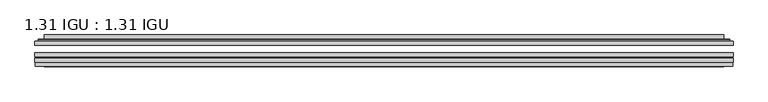
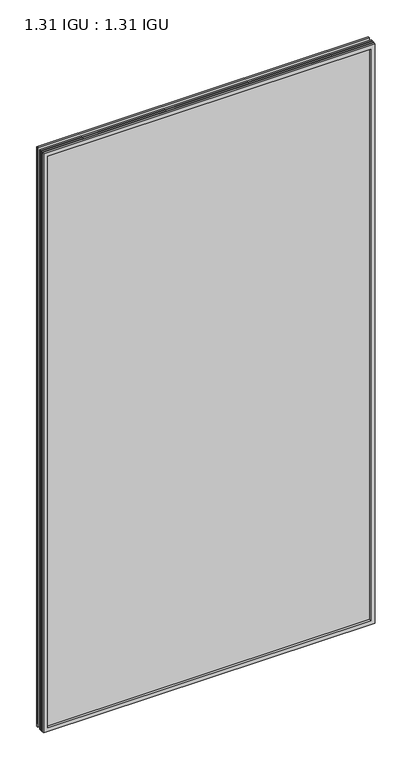
"""IFC4 building model written with IfcOpenShell, lengths in millimetres: plate geometry, 1.31 IGU : 1.31 IGU."""

from ifc_helpers import new_model, si_unit, frame, origin, place, context, project, spatial, polyline, ellipse_curve, outline, extrude, faceted_brep, source, transform, mapped, element, save
from ifc_brep_helpers import plane_surface, cylinder_surface, advanced_brep


def plate_1_31_igu_1_31_igu_e77b2c3e(model_context):
    return source(origin(), model_context, "Body", "SolidModel", [
        extrude(outline(polyline([(547.70485, -63.59525), (547.70485, -69.94525), (-547.690675, -69.94525), (-547.690675, -63.59525), (547.70485, -63.59525)])), frame((0.0, 0.0, -14.2875), z_axis=(0.0, 0.0, 1.0), x_axis=(1.0, 0.0, 0.0)), (0.0, 0.0, 1.0), 2022.4787979),
        extrude(outline(polyline([(-547.690675, -78.58125), (-547.690675, -72.230745), (547.70485, -72.230745), (547.70485, -78.58125), (-547.690675, -78.58125)])), frame((0.0, 0.0, -14.2875), z_axis=(0.0, 0.0, 1.0), x_axis=(1.0, 0.0, 0.0)), (0.0, 0.0, 1.0), 2022.4787979),
        extrude(outline(polyline([(547.70485, -45.25645), (547.70485, -51.60645), (-547.690675, -51.60645), (-547.690675, -45.25645), (547.70485, -45.25645)])), frame((0.0, 0.0, -14.2875), z_axis=(0.0, 0.0, 1.0), x_axis=(1.0, 0.0, 0.0)), (0.0, 0.0, 1.0), 2022.4787979),
        faceted_brep([(-546.9904892, -84.93125, 2007.4873142), (-546.9904892, -78.58125, 2007.4873142), (-546.9904892, -78.58125, -13.5873142), (-546.9904892, -84.93125, -13.5873142), (546.9904892, -78.58125, -13.5873142), (546.9904892, -84.93125, -13.5873142), (546.9904892, -78.58125, 2007.4873142), (546.9904892, -84.93125, 2007.4873142), (-532.5054309, -78.58125, 0.8977441), (532.5054309, -78.58125, 0.8977441), (532.5054309, -78.58125, 1993.0022559), (-532.5054309, -78.58125, 1993.0022559), (-533.3978652, -84.93125, 1993.8946902), (533.3978652, -84.93125, 1993.8946902), (533.3978652, -84.93125, 0.0053098), (-533.3978652, -84.93125, 0.0053098)], [[[0, 1, 2, 3]], [[3, 2, 4, 5]], [[5, 4, 6, 7]], [[1, 6, 4, 2], [8, 9, 10, 11]], [[7, 6, 1, 0]], [[3, 5, 7, 0], [12, 13, 14, 15]], [[11, 12, 15, 8]], [[8, 15, 14, 9]], [[9, 14, 13, 10]], [[10, 13, 12, 11]]]),
        advanced_brep(
        [(-540.449394, -45.25645, 2000.946219), (-542.8035994, -43.2667833, 2003.3004244), (-542.8035994, -43.2667833, -9.4004244), (-540.449394, -45.25645, -7.046219), (-531.3750689, -41.416413, 1991.8718939), (-526.4402371, -45.25645, 1986.9370621), (-526.4402371, -45.25645, 6.9629379), (-531.3750689, -41.416413, 2.0281061), (-532.4070967, -36.0191819, 1992.9039217), (-532.4070967, -36.0191819, 0.9960783), (-533.3977534, -35.6202069, 1993.8945784), (-533.3977534, -35.6202069, 0.0054216), (-533.3977534, -42.08145, 1993.8945784), (-533.3977534, -42.08145, 0.0054216), (-541.8018099, -42.08145, 2002.2986349), (-541.8018099, -42.08145, -8.3986349), (542.8035994, -43.2667833, -9.4004244), (540.449394, -45.25645, -7.046219), (526.4402371, -45.25645, 6.9629379), (531.3750689, -41.416413, 2.0281061), (532.4070967, -36.0191819, 0.9960783), (533.3977534, -35.6202069, 0.0054216), (533.3977534, -42.08145, 0.0054216), (541.8018099, -42.08145, -8.3986349), (542.8035994, -43.2667833, 2003.3004244), (540.449394, -45.25645, 2000.946219), (526.4402371, -45.25645, 1986.9370621), (531.3750689, -41.416413, 1991.8718939), (532.4070967, -36.0191819, 1992.9039217), (533.3977534, -35.6202069, 1993.8945784), (533.3977534, -42.08145, 1993.8945784), (541.8018099, -42.08145, 2002.2986349)],
        [
            (0, 1, ellipse_curve(frame((-540.449394, -42.86885, 2000.946219), z_axis=(-0.7071067811865475, 0.0, -0.7071067811865475), x_axis=(-0.7071067811865474, 0.0, 0.7071067811865476)), 3.3765763, 2.3876)),
            (1, 2),
            (2, 3, ellipse_curve(frame((-540.449394, -42.86885, -7.046219), z_axis=(-0.7071067811865475, 0.0, 0.7071067811865475), x_axis=(0.7071067811865474, 0.0, 0.7071067811865476)), 3.3765763, 2.3876)),
            (3, 0),
            (4, 5),
            (5, 6),
            (6, 7),
            (7, 4),
            (8, 4),
            (7, 9),
            (9, 8),
            (10, 8, ellipse_curve(frame((-533.0307969, -36.1384423, 1993.5276219), z_axis=(-0.7071067811865475, 0.0, -0.7071067811865475), x_axis=(-0.7071067811865474, 0.0, 0.7071067811865476)), 0.8980256, 0.635)),
            (9, 11, ellipse_curve(frame((-533.0307969, -36.1384423, 0.3723781), z_axis=(-0.7071067811865475, 0.0, 0.7071067811865475), x_axis=(0.7071067811865474, 0.0, 0.7071067811865476)), 0.8980256, 0.635)),
            (11, 10),
            (12, 10),
            (11, 13),
            (13, 12),
            (1, 14, ellipse_curve(frame((-541.8018099, -43.09745, 2002.2986349), z_axis=(-0.7071067811865475, 0.0, -0.7071067811865475), x_axis=(-0.7071067811865474, 0.0, 0.7071067811865476)), 1.436841, 1.016)),
            (14, 15),
            (15, 2, ellipse_curve(frame((-541.8018099, -43.09745, -8.3986349), z_axis=(-0.7071067811865475, 0.0, 0.7071067811865475), x_axis=(0.7071067811865474, 0.0, 0.7071067811865476)), 1.436841, 1.016)),
            (2, 16),
            (16, 17, ellipse_curve(frame((540.449394, -42.86885, -7.046219), z_axis=(-0.7071067811865475, 0.0, -0.7071067811865475), x_axis=(-0.7071067811865476, 0.0, 0.7071067811865474)), 3.3765763, 2.3876)),
            (17, 3),
            (6, 18),
            (18, 19),
            (19, 7),
            (19, 20),
            (20, 9),
            (20, 21, ellipse_curve(frame((533.0307969, -36.1384423, 0.3723781), z_axis=(-0.7071067811865475, 0.0, -0.7071067811865475), x_axis=(-0.7071067811865476, 0.0, 0.7071067811865474)), 0.8980256, 0.635)),
            (21, 11),
            (21, 22),
            (22, 13),
            (15, 23),
            (23, 16, ellipse_curve(frame((541.8018099, -43.09745, -8.3986349), z_axis=(-0.7071067811865475, 0.0, -0.7071067811865475), x_axis=(-0.7071067811865476, 0.0, 0.7071067811865474)), 1.436841, 1.016)),
            (16, 24),
            (24, 25, ellipse_curve(frame((540.449394, -42.86885, 2000.946219), z_axis=(0.7071067811865475, 0.0, -0.7071067811865475), x_axis=(-0.7071067811865474, 0.0, -0.7071067811865476)), 3.3765763, 2.3876)),
            (25, 17),
            (18, 26),
            (26, 27),
            (27, 19),
            (27, 28),
            (28, 20),
            (28, 29, ellipse_curve(frame((533.0307969, -36.1384423, 1993.5276219), z_axis=(0.7071067811865475, 0.0, -0.7071067811865475), x_axis=(-0.7071067811865474, 0.0, -0.7071067811865476)), 0.8980256, 0.635)),
            (29, 21),
            (29, 30),
            (30, 22),
            (23, 31),
            (31, 24, ellipse_curve(frame((541.8018099, -43.09745, 2002.2986349), z_axis=(0.7071067811865475, 0.0, -0.7071067811865475), x_axis=(-0.7071067811865474, 0.0, -0.7071067811865476)), 1.436841, 1.016)),
            (24, 1),
            (0, 25),
            (5, 26),
            (4, 27),
            (8, 28),
            (10, 29),
            (12, 30),
            (14, 31),
        ],
        [
            cylinder_surface(frame((-540.449394, -42.86885, 2025.65), z_axis=(0.0, 0.0, 1.0), x_axis=(-1.0, 0.0, 0.0)), 2.3876),
            plane_surface(frame((-526.4402371, -45.25645, 1986.9370621), z_axis=(0.6141233906514794, 0.7892100234124821, 0.0), x_axis=(0.0, 0.0, -1.0))),
            plane_surface(frame((-531.3750689, -41.416413, 1991.8718939), z_axis=(0.9822050625507729, 0.18781164793386076, 0.0), x_axis=(0.0, 0.0, -1.0))),
            cylinder_surface(frame((-533.0307969, -36.1384423, 2025.65), z_axis=(0.0, 0.0, 1.0), x_axis=(-1.0, 0.0, 0.0)), 0.635),
            plane_surface(frame((-533.3977534, -35.6202069, 1993.8945784), z_axis=(-1.0, 0.0, 0.0), x_axis=(0.0, 0.0, -1.0))),
            cylinder_surface(frame((-541.8018099, -43.09745, 2025.65), z_axis=(0.0, 0.0, 1.0), x_axis=(-1.0, 0.0, 0.0)), 1.016),
            cylinder_surface(frame((-565.153175, -42.86885, -7.046219), z_axis=(-1.0, 0.0, 0.0), x_axis=(0.0, 0.0, -1.0)), 2.3876),
            plane_surface(frame((-526.4402371, -45.25645, 6.9629379), z_axis=(0.0, 0.7892100234124841, 0.6141233906514768), x_axis=(1.0, 0.0, 0.0))),
            plane_surface(frame((-531.3750689, -41.416413, 2.0281061), z_axis=(0.0, 0.18781164793386393, 0.9822050625507723), x_axis=(1.0, 0.0, 0.0))),
            cylinder_surface(frame((-565.153175, -36.1384423, 0.3723781), z_axis=(-1.0, 0.0, 0.0), x_axis=(0.0, 0.0, -1.0)), 0.635),
            plane_surface(frame((-533.3977534, -35.6202069, 0.0054216), z_axis=(0.0, 0.0, -1.0), x_axis=(1.0, 0.0, 0.0))),
            cylinder_surface(frame((-565.153175, -43.09745, -8.3986349), z_axis=(-1.0, 0.0, 0.0), x_axis=(0.0, 0.0, -1.0)), 1.016),
            cylinder_surface(frame((540.449394, -42.86885, -31.75), z_axis=(0.0, 0.0, -1.0), x_axis=(1.0, 0.0, 0.0)), 2.3876),
            plane_surface(frame((526.4402371, -45.25645, 6.9629379), z_axis=(-0.6141233906514743, 0.7892100234124861, 0.0), x_axis=(0.0, 0.0, 1.0))),
            plane_surface(frame((531.3750689, -41.416413, 2.0281061), z_axis=(-0.9822050625507718, 0.1878116479338671, 0.0), x_axis=(0.0, 0.0, 1.0))),
            cylinder_surface(frame((533.0307969, -36.1384423, -31.75), z_axis=(0.0, 0.0, -1.0), x_axis=(1.0, 0.0, 0.0)), 0.635),
            plane_surface(frame((533.3977534, -35.6202069, 0.0054216), z_axis=(1.0, 0.0, 0.0), x_axis=(0.0, 0.0, 1.0))),
            cylinder_surface(frame((541.8018099, -43.09745, -31.75), z_axis=(0.0, 0.0, -1.0), x_axis=(1.0, 0.0, 0.0)), 1.016),
            cylinder_surface(frame((565.153175, -42.86885, 2000.946219), z_axis=(1.0, 0.0, 0.0), x_axis=(0.0, 0.0, 1.0)), 2.3876),
            plane_surface(frame((540.449394, -45.25645, 2000.946219), z_axis=(0.0, -1.0, 0.0), x_axis=(-1.0, 0.0, 0.0))),
            plane_surface(frame((526.4402371, -45.25645, 1986.9370621), z_axis=(0.0, 0.7892100234124841, -0.6141233906514768), x_axis=(-1.0, 0.0, 0.0))),
            plane_surface(frame((531.3750689, -41.416413, 1991.8718939), z_axis=(0.0, 0.18781164793386393, -0.9822050625507723), x_axis=(-1.0, 0.0, 0.0))),
            cylinder_surface(frame((565.153175, -36.1384423, 1993.5276219), z_axis=(1.0, 0.0, 0.0), x_axis=(0.0, 0.0, 1.0)), 0.635),
            plane_surface(frame((533.3977534, -35.6202069, 1993.8945784), z_axis=(0.0, 0.0, 1.0), x_axis=(-1.0, 0.0, 0.0))),
            plane_surface(frame((533.3977534, -42.08145, 1993.8945784), z_axis=(0.0, 1.0, 0.0), x_axis=(-1.0, 0.0, 0.0))),
            cylinder_surface(frame((565.153175, -43.09745, 2002.2986349), z_axis=(1.0, 0.0, 0.0), x_axis=(0.0, 0.0, 1.0)), 1.016),
        ],
        [
            (0, [[1, 2, 3, 4]]),
            (1, [[5, 6, 7, 8]]),
            (2, [[9, -8, 10, 11]]),
            (3, [[12, -11, 13, 14]]),
            (4, [[15, -14, 16, 17]]),
            (5, [[18, 19, 20, -2]]),
            (6, [[-3, 21, 22, 23]]),
            (7, [[-7, 24, 25, 26]]),
            (8, [[-10, -26, 27, 28]]),
            (9, [[-13, -28, 29, 30]]),
            (10, [[-16, -30, 31, 32]]),
            (11, [[-20, 33, 34, -21]]),
            (12, [[-22, 35, 36, 37]]),
            (13, [[-25, 38, 39, 40]]),
            (14, [[-27, -40, 41, 42]]),
            (15, [[-29, -42, 43, 44]]),
            (16, [[-31, -44, 45, 46]]),
            (17, [[-34, 47, 48, -35]]),
            (18, [[-36, 49, -1, 50]]),
            (19, [[-23, -37, -50, -4], [51, -38, -24, -6]]),
            (20, [[-39, -51, -5, 52]]),
            (21, [[-41, -52, -9, 53]]),
            (22, [[-43, -53, -12, 54]]),
            (23, [[-45, -54, -15, 55]]),
            (24, [[56, -47, -33, -19], [-32, -46, -55, -17]]),
            (25, [[-48, -56, -18, -49]]),
        ],
    ),
    ])


if __name__ == "__main__":
    model = new_model("IFC4")
    model_context = context("Model", 3, world=origin())
    ifc_project = project(units=[si_unit("LENGTHUNIT", "METRE", prefix="MILLI")], contexts=[model_context])
    site = spatial("IfcSite", under=ifc_project)
    building = spatial("IfcBuilding", under=site)
    placement = place(None, origin())
    plate_1_31_igu_1_31_igu_shape = plate_1_31_igu_1_31_igu_e77b2c3e(model_context)
    element("IfcPlate", 1, ObjectType="1.31 IGU : 1.31 IGU", at=placement, inside=building, context=model_context, shape_type="MappedRepresentation", body=[
        mapped(plate_1_31_igu_1_31_igu_shape, transform((0.0, 0.0, 0.0), x_axis=(1.0, 0.0, 0.0), y_axis=(0.0, 1.0, 0.0), z_axis=(0.0, 0.0, 1.0))),
    ])
    save(model, "model.ifc")
